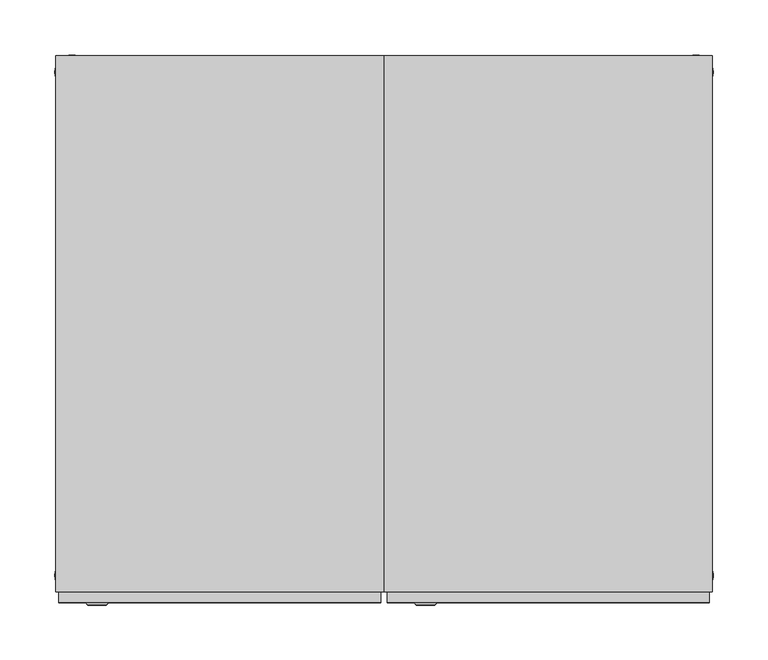
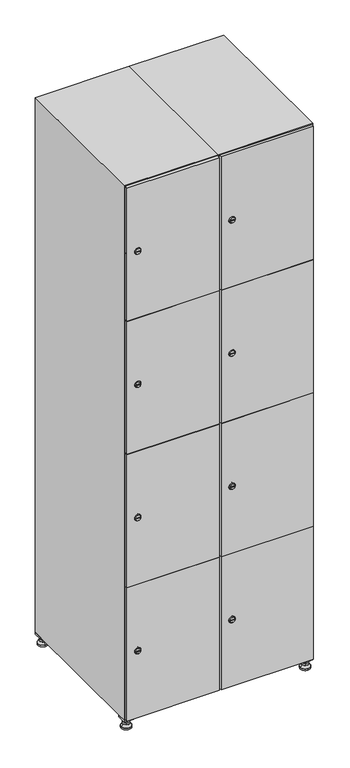
"""IFC4 building model written with IfcOpenShell, lengths in millimetres: furniture geometry."""

from ifc_helpers import new_model, si_unit, point, frame, frame_2d, origin, origin_with_axes, place, context, project, spatial, polyline, circle_curve, trimmed, segment, composite_curve, outline, extrude, faceted_brep, source, transform, mapped, element, save
from ifc_brep_helpers import plane_surface, revolved_surface, advanced_brep


def furniture_9e0ef460(model_context):
    return source(origin(), model_context, "Body", "SolidModel", [
        extrude(outline(polyline([(400.0, 245.0), (400.0, 215.0), (370.0, 215.0), (370.0, 245.0), (400.0, 245.0)]), holes=[polyline([(398.0, 243.0), (372.0, 243.0), (372.0, 217.0), (398.0, 217.0), (398.0, 243.0)])]), frame((0.0, 0.0, 28.5), z_axis=(0.0, 0.0, 1.0), x_axis=(1.0, 0.0, 0.0)), (0.0, 0.0, 1.0), 6.5),
        extrude(outline(polyline([(370.0, -245.0), (370.0, -215.0), (400.0, -215.0), (400.0, -245.0), (370.0, -245.0)]), holes=[polyline([(372.0, -243.0), (398.0, -243.0), (398.0, -217.0), (372.0, -217.0), (372.0, -243.0)])]), frame((0.0, 0.0, 28.5), z_axis=(0.0, 0.0, 1.0), x_axis=(1.0, 0.0, 0.0)), (0.0, 0.0, 1.0), 6.5),
        extrude(outline(polyline([(-170.0, 245.0), (-170.0, 215.0), (-200.0, 215.0), (-200.0, 245.0), (-170.0, 245.0)]), holes=[polyline([(-172.0, 243.0), (-198.0, 243.0), (-198.0, 217.0), (-172.0, 217.0), (-172.0, 243.0)])]), frame((0.0, 0.0, 28.5), z_axis=(0.0, 0.0, 1.0), x_axis=(1.0, 0.0, 0.0)), (0.0, 0.0, 1.0), 6.5),
        extrude(outline(polyline([(-170.0, -215.0), (-170.0, -245.0), (-200.0, -245.0), (-200.0, -215.0), (-170.0, -215.0)]), holes=[polyline([(-198.0, -243.0), (-172.0, -243.0), (-172.0, -217.0), (-198.0, -217.0), (-198.0, -243.0)])]), frame((0.0, 0.0, 28.5), z_axis=(0.0, 0.0, 1.0), x_axis=(1.0, 0.0, 0.0)), (0.0, 0.0, 1.0), 6.5),
        extrude(outline(composite_curve([segment(trimmed(circle_curve(frame_2d((-185.0, 230.0)), 5.0), [point((-180.0, 230.0))], [point((-190.0, 230.0))], False, "CARTESIAN"), True, "CONTINUOUS"), segment(trimmed(circle_curve(frame_2d((-185.0, 230.0)), 5.0), [point((-190.0, 230.0))], [point((-180.0, 230.0))], False, "CARTESIAN"), True, "CONTINUOUS")], self_intersect=False)), frame((0.0, 0.0, 19.6), z_axis=(0.0, 0.0, 1.0), x_axis=(1.0, 0.0, 0.0)), (0.0, 0.0, 1.0), 15.4),
        extrude(outline(composite_curve([segment(trimmed(circle_curve(frame_2d((-185.0, -230.0)), 5.0), [point((-180.0, -230.0))], [point((-190.0, -230.0))], False, "CARTESIAN"), True, "CONTINUOUS"), segment(trimmed(circle_curve(frame_2d((-185.0, -230.0)), 5.0), [point((-190.0, -230.0))], [point((-180.0, -230.0))], False, "CARTESIAN"), True, "CONTINUOUS")], self_intersect=False)), frame((0.0, 0.0, 19.6), z_axis=(0.0, 0.0, 1.0), x_axis=(1.0, 0.0, 0.0)), (0.0, 0.0, 1.0), 15.4),
        extrude(outline(composite_curve([segment(trimmed(circle_curve(frame_2d((385.0, 230.0)), 5.0), [point((390.0, 230.0))], [point((380.0, 230.0))], False, "CARTESIAN"), True, "CONTINUOUS"), segment(trimmed(circle_curve(frame_2d((385.0, 230.0)), 5.0), [point((380.0, 230.0))], [point((390.0, 230.0))], False, "CARTESIAN"), True, "CONTINUOUS")], self_intersect=False)), frame((0.0, 0.0, 19.6), z_axis=(0.0, 0.0, 1.0), x_axis=(1.0, 0.0, 0.0)), (0.0, 0.0, 1.0), 15.4),
        extrude(outline(polyline([(373.4529946, 230.0), (379.2264973, 240.0), (390.7735027, 240.0), (396.5470054, 230.0), (390.7735027, 220.0), (379.2264973, 220.0), (373.4529946, 230.0)])), frame((0.0, 0.0, 13.6), z_axis=(0.0, 0.0, 1.0), x_axis=(1.0, 0.0, 0.0)), (0.0, 0.0, 1.0), 6.0),
        extrude(outline(composite_curve([segment(trimmed(circle_curve(frame_2d((385.0, -230.0)), 5.0), [point((390.0, -230.0))], [point((380.0, -230.0))], False, "CARTESIAN"), True, "CONTINUOUS"), segment(trimmed(circle_curve(frame_2d((385.0, -230.0)), 5.0), [point((380.0, -230.0))], [point((390.0, -230.0))], False, "CARTESIAN"), True, "CONTINUOUS")], self_intersect=False)), frame((0.0, 0.0, 19.6), z_axis=(0.0, 0.0, 1.0), x_axis=(1.0, 0.0, 0.0)), (0.0, 0.0, 1.0), 15.4),
        extrude(outline(polyline([(373.4529946, -230.0), (379.2264973, -220.0), (390.7735027, -220.0), (396.5470054, -230.0), (390.7735027, -240.0), (379.2264973, -240.0), (373.4529946, -230.0)])), frame((0.0, 0.0, 13.6), z_axis=(0.0, 0.0, 1.0), x_axis=(1.0, 0.0, 0.0)), (0.0, 0.0, 1.0), 6.0),
        extrude(outline(composite_curve([segment(trimmed(circle_curve(frame_2d((385.0, 230.0)), 5.0), [point((390.0, 230.0))], [point((380.0, 230.0))], False, "CARTESIAN"), True, "CONTINUOUS"), segment(trimmed(circle_curve(frame_2d((385.0, 230.0)), 5.0), [point((380.0, 230.0))], [point((390.0, 230.0))], False, "CARTESIAN"), True, "CONTINUOUS")], self_intersect=False)), frame((0.0, 0.0, 12.1), z_axis=(0.0, 0.0, 1.0), x_axis=(1.0, 0.0, 0.0)), (0.0, 0.0, 1.0), 1.5),
        extrude(outline(composite_curve([segment(trimmed(circle_curve(frame_2d((385.0, -230.0)), 5.0), [point((390.0, -230.0))], [point((380.0, -230.0))], False, "CARTESIAN"), True, "CONTINUOUS"), segment(trimmed(circle_curve(frame_2d((385.0, -230.0)), 5.0), [point((380.0, -230.0))], [point((390.0, -230.0))], False, "CARTESIAN"), True, "CONTINUOUS")], self_intersect=False)), frame((0.0, 0.0, 12.1), z_axis=(0.0, 0.0, 1.0), x_axis=(1.0, 0.0, 0.0)), (0.0, 0.0, 1.0), 1.5),
        extrude(outline(polyline([(-196.5470054, 230.0), (-190.7735027, 240.0), (-179.2264973, 240.0), (-173.4529946, 230.0), (-179.2264973, 220.0), (-190.7735027, 220.0), (-196.5470054, 230.0)])), frame((0.0, 0.0, 13.6), z_axis=(0.0, 0.0, 1.0), x_axis=(1.0, 0.0, 0.0)), (0.0, 0.0, 1.0), 6.0),
        extrude(outline(polyline([(-196.5470054, -230.0), (-190.7735027, -220.0), (-179.2264973, -220.0), (-173.4529946, -230.0), (-179.2264973, -240.0), (-190.7735027, -240.0), (-196.5470054, -230.0)])), frame((0.0, 0.0, 13.6), z_axis=(0.0, 0.0, 1.0), x_axis=(1.0, 0.0, 0.0)), (0.0, 0.0, 1.0), 6.0),
        extrude(outline(composite_curve([segment(trimmed(circle_curve(frame_2d((-185.0, 230.0)), 5.0), [point((-185.0, 235.0))], [point((-185.0, 225.0))], False, "CARTESIAN"), True, "CONTINUOUS"), segment(trimmed(circle_curve(frame_2d((-185.0, 230.0)), 5.0), [point((-185.0, 225.0))], [point((-185.0, 235.0))], False, "CARTESIAN"), True, "CONTINUOUS")], self_intersect=False)), frame((0.0, 0.0, 12.1), z_axis=(0.0, 0.0, 1.0), x_axis=(1.0, 0.0, 0.0)), (0.0, 0.0, 1.0), 1.5),
        extrude(outline(composite_curve([segment(trimmed(circle_curve(frame_2d((-185.0, -230.0)), 5.0), [point((-180.0, -230.0))], [point((-190.0, -230.0))], False, "CARTESIAN"), True, "CONTINUOUS"), segment(trimmed(circle_curve(frame_2d((-185.0, -230.0)), 5.0), [point((-190.0, -230.0))], [point((-180.0, -230.0))], False, "CARTESIAN"), True, "CONTINUOUS")], self_intersect=False)), frame((0.0, 0.0, 12.1), z_axis=(0.0, 0.0, 1.0), x_axis=(1.0, 0.0, 0.0)), (0.0, 0.0, 1.0), 1.5),
        extrude(outline(composite_curve([segment(trimmed(circle_curve(frame_2d((385.0, 230.0)), 15.75), [point((400.75, 230.0))], [point((369.25, 230.0))], False, "CARTESIAN"), True, "CONTINUOUS"), segment(trimmed(circle_curve(frame_2d((385.0, 230.0)), 15.75), [point((369.25, 230.0))], [point((400.75, 230.0))], False, "CARTESIAN"), True, "CONTINUOUS")], self_intersect=False)), origin_with_axes(), (0.0, 0.0, 1.0), 5.1),
        extrude(outline(composite_curve([segment(trimmed(circle_curve(frame_2d((385.0, -230.0)), 15.75), [point((385.0, -214.25))], [point((385.0, -245.75))], False, "CARTESIAN"), True, "CONTINUOUS"), segment(trimmed(circle_curve(frame_2d((385.0, -230.0)), 15.75), [point((385.0, -245.75))], [point((385.0, -214.25))], False, "CARTESIAN"), True, "CONTINUOUS")], self_intersect=False)), origin_with_axes(), (0.0, 0.0, 1.0), 5.1),
        extrude(outline(composite_curve([segment(trimmed(circle_curve(frame_2d((-185.0, -230.0)), 15.75), [point((-169.25, -230.0))], [point((-200.75, -230.0))], False, "CARTESIAN"), True, "CONTINUOUS"), segment(trimmed(circle_curve(frame_2d((-185.0, -230.0)), 15.75), [point((-200.75, -230.0))], [point((-169.25, -230.0))], False, "CARTESIAN"), True, "CONTINUOUS")], self_intersect=False)), origin_with_axes(), (0.0, 0.0, 1.0), 5.1),
        extrude(outline(composite_curve([segment(trimmed(circle_curve(frame_2d((-185.0, 230.0)), 15.75), [point((-169.25, 230.0))], [point((-200.75, 230.0))], False, "CARTESIAN"), True, "CONTINUOUS"), segment(trimmed(circle_curve(frame_2d((-185.0, 230.0)), 15.75), [point((-200.75, 230.0))], [point((-169.25, 230.0))], False, "CARTESIAN"), True, "CONTINUOUS")], self_intersect=False)), origin_with_axes(), (0.0, 0.0, 1.0), 5.1),
        advanced_brep(
        [(-185.0, 239.5, 12.1), (-185.0, 220.5, 12.1), (-185.0, 214.25, 5.1), (-185.0, 245.75, 5.1)],
        [
            (0, 1, circle_curve(frame((-185.0, 230.0, 12.1), z_axis=(0.0, 0.0, -1.0), x_axis=(0.0, 1.0, 0.0)), 9.5)),
            (1, 2),
            (2, 3, circle_curve(frame((-185.0, 230.0, 5.1), z_axis=(0.0, 0.0, 1.0), x_axis=(0.0, 1.0, 0.0)), 15.75)),
            (3, 0),
            (1, 0, circle_curve(frame((-185.0, 230.0, 12.1), z_axis=(0.0, 0.0, -1.0), x_axis=(0.0, -1.0, 0.0)), 9.5)),
            (3, 2, circle_curve(frame((-185.0, 230.0, 5.1), z_axis=(0.0, 0.0, 1.0), x_axis=(0.0, -1.0, 0.0)), 15.75)),
        ],
        [
            revolved_surface(polyline([(-185.0, 220.5, 12.099999999999998), (-185.0, 214.25, 5.099999999999998)]), (-185.0, 230.0, 22.74), (0.0, 0.0, -1.0)),
            revolved_surface(polyline([(-185.0, 239.5, 12.099999999999998), (-185.0, 245.75, 5.099999999999998)]), (-185.0, 230.0, 22.74), (0.0, 0.0, -1.0)),
            plane_surface(frame((-185.0, 230.0, 5.1), z_axis=(0.0, 0.0, -1.0), x_axis=(1.0, 0.0, 0.0))),
            plane_surface(frame((-185.0, 230.0, 12.1), z_axis=(0.0, 0.0, 1.0), x_axis=(1.0, 0.0, 0.0))),
        ],
        [
            (0, [[1, 2, 3, 4]]),
            (1, [[5, -4, 6, -2]]),
            (2, [[-3, -6]]),
            (3, [[-5, -1]]),
        ],
    ),
        advanced_brep(
        [(385.0, 239.5, 12.1), (385.0, 220.5, 12.1), (385.0, 214.25, 5.1), (385.0, 245.75, 5.1)],
        [
            (0, 1, circle_curve(frame((385.0, 230.0, 12.1), z_axis=(0.0, 0.0, -1.0), x_axis=(0.0, 1.0, 0.0)), 9.5)),
            (1, 2),
            (2, 3, circle_curve(frame((385.0, 230.0, 5.1), z_axis=(0.0, 0.0, 1.0), x_axis=(0.0, 1.0, 0.0)), 15.75)),
            (3, 0),
            (1, 0, circle_curve(frame((385.0, 230.0, 12.1), z_axis=(0.0, 0.0, -1.0), x_axis=(0.0, -1.0, 0.0)), 9.5)),
            (3, 2, circle_curve(frame((385.0, 230.0, 5.1), z_axis=(0.0, 0.0, 1.0), x_axis=(0.0, -1.0, 0.0)), 15.75)),
        ],
        [
            revolved_surface(polyline([(385.0, 220.5, 12.099999999999998), (385.0, 214.25, 5.099999999999998)]), (385.0, 230.0, 22.74), (0.0, 0.0, -1.0)),
            revolved_surface(polyline([(385.0, 239.5, 12.099999999999998), (385.0, 245.75, 5.099999999999998)]), (385.0, 230.0, 22.74), (0.0, 0.0, -1.0)),
            plane_surface(frame((385.0, 230.0, 5.1), z_axis=(0.0, 0.0, -1.0), x_axis=(1.0, 0.0, 0.0))),
            plane_surface(frame((385.0, 230.0, 12.1), z_axis=(0.0, 0.0, 1.0), x_axis=(1.0, 0.0, 0.0))),
        ],
        [
            (0, [[1, 2, 3, 4]]),
            (1, [[5, -4, 6, -2]]),
            (2, [[-3, -6]]),
            (3, [[-5, -1]]),
        ],
    ),
        advanced_brep(
        [(400.75, -230.0, 5.1), (369.25, -230.0, 5.1), (375.5, -230.0, 12.1), (394.5, -230.0, 12.1)],
        [
            (0, 1, circle_curve(frame((385.0, -230.0, 5.1), z_axis=(0.0, 0.0, 1.0), x_axis=(1.0, 0.0, 0.0)), 15.75)),
            (1, 2),
            (2, 3, circle_curve(frame((385.0, -230.0, 12.1), z_axis=(0.0, 0.0, -1.0), x_axis=(1.0, 0.0, 0.0)), 9.5)),
            (3, 0),
            (1, 0, circle_curve(frame((385.0, -230.0, 5.1), z_axis=(0.0, 0.0, 1.0), x_axis=(-1.0, 0.0, 0.0)), 15.75)),
            (3, 2, circle_curve(frame((385.0, -230.0, 12.1), z_axis=(0.0, 0.0, -1.0), x_axis=(-1.0, 0.0, 0.0)), 9.5)),
        ],
        [
            revolved_surface(polyline([(394.5, -230.0, 12.099999999999998), (400.75, -230.0, 5.099999999999998)]), (385.0, -230.0, 22.74), (0.0, 0.0, -1.0)),
            revolved_surface(polyline([(375.5, -230.0, 12.099999999999998), (369.25, -230.0, 5.099999999999998)]), (385.0, -230.0, 22.74), (0.0, 0.0, -1.0)),
            plane_surface(frame((385.0, -230.0, 12.1), z_axis=(0.0, 0.0, 1.0), x_axis=(0.0, 1.0, 0.0))),
            plane_surface(frame((385.0, -230.0, 5.1), z_axis=(0.0, 0.0, -1.0), x_axis=(0.0, 1.0, 0.0))),
        ],
        [
            (0, [[1, 2, 3, 4]]),
            (1, [[5, -4, 6, -2]]),
            (2, [[-3, -6]]),
            (3, [[-5, -1]]),
        ],
    ),
        advanced_brep(
        [(-169.25, -230.0, 5.1), (-200.75, -230.0, 5.1), (-194.5, -230.0, 12.1), (-175.5, -230.0, 12.1)],
        [
            (0, 1, circle_curve(frame((-185.0, -230.0, 5.1), z_axis=(0.0, 0.0, 1.0), x_axis=(1.0, 0.0, 0.0)), 15.75)),
            (1, 2),
            (2, 3, circle_curve(frame((-185.0, -230.0, 12.1), z_axis=(0.0, 0.0, -1.0), x_axis=(1.0, 0.0, 0.0)), 9.5)),
            (3, 0),
            (1, 0, circle_curve(frame((-185.0, -230.0, 5.1), z_axis=(0.0, 0.0, 1.0), x_axis=(-1.0, 0.0, 0.0)), 15.75)),
            (3, 2, circle_curve(frame((-185.0, -230.0, 12.1), z_axis=(0.0, 0.0, -1.0), x_axis=(-1.0, 0.0, 0.0)), 9.5)),
        ],
        [
            revolved_surface(polyline([(-175.5, -230.0, 12.099999999999998), (-169.25, -230.0, 5.099999999999998)]), (-185.0, -230.0, 22.74), (0.0, 0.0, -1.0)),
            revolved_surface(polyline([(-194.5, -230.0, 12.099999999999998), (-200.75, -230.0, 5.099999999999998)]), (-185.0, -230.0, 22.74), (0.0, 0.0, -1.0)),
            plane_surface(frame((-185.0, -230.0, 12.1), z_axis=(0.0, 0.0, 1.0), x_axis=(0.0, 1.0, 0.0))),
            plane_surface(frame((-185.0, -230.0, 5.1), z_axis=(0.0, 0.0, -1.0), x_axis=(0.0, 1.0, 0.0))),
        ],
        [
            (0, [[1, 2, 3, 4]]),
            (1, [[5, -4, 6, -2]]),
            (2, [[-3, -6]]),
            (3, [[-5, -1]]),
        ],
    ),
        extrude(outline(composite_curve([segment(trimmed(circle_curve(frame_2d((262.25, 111.2010534)), 7.0), [point((269.25, 111.2010534))], [point((255.25, 111.2010534))], False, "CARTESIAN"), True, "CONTINUOUS"), segment(polyline([(255.25, 111.2010534), (255.25, 139.2010534)]), True, "CONTINUOUS"), segment(trimmed(circle_curve(frame_2d((262.25, 139.2010534)), 7.0), [point((255.25, 139.2010534))], [point((269.25, 139.2010534))], False, "CARTESIAN"), True, "CONTINUOUS"), segment(polyline([(269.25, 139.2010534), (269.25, 111.2010534)]), True, "CONTINUOUS")], self_intersect=False)), frame((0.0, -245.0, 0.0), z_axis=(0.0, 1.0, 0.0), x_axis=(0.0, 0.0, 1.0)), (0.0, 0.0, 1.0), 2.0),
        advanced_brep(
        [(146.5, -257.2, 262.25), (129.5, -257.2, 262.25), (133.0, -257.2, 261.0), (133.0, -257.2, 263.5), (143.0, -257.2, 263.5), (143.0, -257.2, 261.0), (148.5, -255.0, 262.25), (127.5, -255.0, 262.25), (133.0, -255.0, 263.5), (133.0, -255.0, 261.0), (143.0, -255.0, 261.0), (143.0, -255.0, 263.5)],
        [
            (0, 1, circle_curve(frame((138.0, -257.2, 262.25), z_axis=(0.0, -1.0, 0.0), x_axis=(1.0, 0.0, 0.0)), 8.5)),
            (1, 0, circle_curve(frame((138.0, -257.2, 262.25), z_axis=(0.0, -1.0, 0.0), x_axis=(-1.0, 0.0, 0.0)), 8.5)),
            (2, 3),
            (3, 4),
            (4, 5),
            (5, 2),
            (6, 7, circle_curve(frame((138.0, -255.0, 262.25), z_axis=(0.0, 1.0, 0.0), x_axis=(-1.0, 0.0, 0.0)), 10.5)),
            (7, 6, circle_curve(frame((138.0, -255.0, 262.25), z_axis=(0.0, 1.0, 0.0), x_axis=(1.0, 0.0, 0.0)), 10.5)),
            (8, 9),
            (9, 10),
            (10, 11),
            (11, 8),
            (0, 6),
            (7, 1),
            (8, 3),
            (2, 9),
            (11, 4),
            (10, 5),
        ],
        [
            plane_surface(frame((138.0, -257.2, 262.25), z_axis=(0.0, -1.0, 0.0), x_axis=(0.0, 0.0, 1.0))),
            plane_surface(frame((138.0, -255.0, 262.25), z_axis=(0.0, 1.0, 0.0), x_axis=(0.0, 0.0, 1.0))),
            revolved_surface(polyline([(146.5, -257.2, 262.25), (148.5, -255.0, 262.25)]), (138.0, -266.55, 262.25), (0.0, 1.0, 0.0)),
            revolved_surface(polyline([(129.5, -257.2, 262.25), (127.5, -255.0, 262.25)]), (138.0, -266.55, 262.25), (0.0, 1.0, 0.0)),
            plane_surface(frame((133.0, -255.0, 261.0), z_axis=(1.0, 0.0, 0.0), x_axis=(0.0, -1.0, 0.0))),
            plane_surface(frame((133.0, -255.0, 263.5), z_axis=(0.0, 0.0, -1.0), x_axis=(0.0, -1.0, 0.0))),
            plane_surface(frame((143.0, -255.0, 263.5), z_axis=(-1.0, 0.0, 0.0), x_axis=(0.0, -1.0, 0.0))),
            plane_surface(frame((143.0, -255.0, 261.0), z_axis=(0.0, 0.0, 1.0), x_axis=(0.0, -1.0, 0.0))),
        ],
        [
            (0, [[1, 2], [3, 4, 5, 6]]),
            (1, [[7, 8], [9, 10, 11, 12]]),
            (2, [[-1, 13, -8, 14]]),
            (3, [[-2, -14, -7, -13]]),
            (4, [[15, -3, 16, -9]]),
            (5, [[-15, -12, 17, -4]]),
            (6, [[-17, -11, 18, -5]]),
            (7, [[-16, -6, -18, -10]]),
        ],
    ),
        extrude(outline(composite_curve([segment(trimmed(circle_curve(frame_2d((710.75, 111.2010534)), 7.0), [point((717.75, 111.2010534))], [point((703.75, 111.2010534))], False, "CARTESIAN"), True, "CONTINUOUS"), segment(polyline([(703.75, 111.2010534), (703.75, 139.2010534)]), True, "CONTINUOUS"), segment(trimmed(circle_curve(frame_2d((710.75, 139.2010534)), 7.0), [point((703.75, 139.2010534))], [point((717.75, 139.2010534))], False, "CARTESIAN"), True, "CONTINUOUS"), segment(polyline([(717.75, 139.2010534), (717.75, 111.2010534)]), True, "CONTINUOUS")], self_intersect=False)), frame((0.0, -245.0, 0.0), z_axis=(0.0, 1.0, 0.0), x_axis=(0.0, 0.0, 1.0)), (0.0, 0.0, 1.0), 2.0),
        advanced_brep(
        [(146.5, -257.2, 710.75), (129.5, -257.2, 710.75), (133.0, -257.2, 709.5), (133.0, -257.2, 712.0), (143.0, -257.2, 712.0), (143.0, -257.2, 709.5), (148.5, -255.0, 710.75), (127.5, -255.0, 710.75), (133.0, -255.0, 712.0), (133.0, -255.0, 709.5), (143.0, -255.0, 709.5), (143.0, -255.0, 712.0)],
        [
            (0, 1, circle_curve(frame((138.0, -257.2, 710.75), z_axis=(0.0, -1.0, 0.0), x_axis=(1.0, 0.0, 0.0)), 8.5)),
            (1, 0, circle_curve(frame((138.0, -257.2, 710.75), z_axis=(0.0, -1.0, 0.0), x_axis=(-1.0, 0.0, 0.0)), 8.5)),
            (2, 3),
            (3, 4),
            (4, 5),
            (5, 2),
            (6, 7, circle_curve(frame((138.0, -255.0, 710.75), z_axis=(0.0, 1.0, 0.0), x_axis=(-1.0, 0.0, 0.0)), 10.5)),
            (7, 6, circle_curve(frame((138.0, -255.0, 710.75), z_axis=(0.0, 1.0, 0.0), x_axis=(1.0, 0.0, 0.0)), 10.5)),
            (8, 9),
            (9, 10),
            (10, 11),
            (11, 8),
            (0, 6),
            (7, 1),
            (8, 3),
            (2, 9),
            (11, 4),
            (10, 5),
        ],
        [
            plane_surface(frame((138.0, -257.2, 710.75), z_axis=(0.0, -1.0, 0.0), x_axis=(0.0, 0.0, 1.0))),
            plane_surface(frame((138.0, -255.0, 710.75), z_axis=(0.0, 1.0, 0.0), x_axis=(0.0, 0.0, 1.0))),
            revolved_surface(polyline([(146.5, -257.2, 710.75), (148.5, -255.0, 710.75)]), (138.0, -266.55, 710.75), (0.0, 1.0, 0.0)),
            revolved_surface(polyline([(129.5, -257.2, 710.75), (127.5, -255.0, 710.75)]), (138.0, -266.55, 710.75), (0.0, 1.0, 0.0)),
            plane_surface(frame((133.0, -255.0, 709.5), z_axis=(1.0, 0.0, 0.0), x_axis=(0.0, -1.0, 0.0))),
            plane_surface(frame((133.0, -255.0, 712.0), z_axis=(0.0, 0.0, -1.0), x_axis=(0.0, -1.0, 0.0))),
            plane_surface(frame((143.0, -255.0, 712.0), z_axis=(-1.0, 0.0, 0.0), x_axis=(0.0, -1.0, 0.0))),
            plane_surface(frame((143.0, -255.0, 709.5), z_axis=(0.0, 0.0, 1.0), x_axis=(0.0, -1.0, 0.0))),
        ],
        [
            (0, [[1, 2], [3, 4, 5, 6]]),
            (1, [[7, 8], [9, 10, 11, 12]]),
            (2, [[-1, 13, -8, 14]]),
            (3, [[-2, -14, -7, -13]]),
            (4, [[15, -3, 16, -9]]),
            (5, [[-15, -12, 17, -4]]),
            (6, [[-17, -11, 18, -5]]),
            (7, [[-16, -6, -18, -10]]),
        ],
    ),
        extrude(outline(composite_curve([segment(trimmed(circle_curve(frame_2d((1159.25, 111.2010534)), 7.0), [point((1166.25, 111.2010534))], [point((1152.25, 111.2010534))], False, "CARTESIAN"), True, "CONTINUOUS"), segment(polyline([(1152.25, 111.2010534), (1152.25, 139.2010534)]), True, "CONTINUOUS"), segment(trimmed(circle_curve(frame_2d((1159.25, 139.2010534)), 7.0), [point((1152.25, 139.2010534))], [point((1166.25, 139.2010534))], False, "CARTESIAN"), True, "CONTINUOUS"), segment(polyline([(1166.25, 139.2010534), (1166.25, 111.2010534)]), True, "CONTINUOUS")], self_intersect=False)), frame((0.0, -245.0, 0.0), z_axis=(0.0, 1.0, 0.0), x_axis=(0.0, 0.0, 1.0)), (0.0, 0.0, 1.0), 2.0),
        advanced_brep(
        [(146.5, -257.2, 1159.25), (129.5, -257.2, 1159.25), (133.0, -257.2, 1158.0), (133.0, -257.2, 1160.5), (143.0, -257.2, 1160.5), (143.0, -257.2, 1158.0), (148.5, -255.0, 1159.25), (127.5, -255.0, 1159.25), (133.0, -255.0, 1160.5), (133.0, -255.0, 1158.0), (143.0, -255.0, 1158.0), (143.0, -255.0, 1160.5)],
        [
            (0, 1, circle_curve(frame((138.0, -257.2, 1159.25), z_axis=(0.0, -1.0, 0.0), x_axis=(1.0, 0.0, 0.0)), 8.5)),
            (1, 0, circle_curve(frame((138.0, -257.2, 1159.25), z_axis=(0.0, -1.0, 0.0), x_axis=(-1.0, 0.0, 0.0)), 8.5)),
            (2, 3),
            (3, 4),
            (4, 5),
            (5, 2),
            (6, 7, circle_curve(frame((138.0, -255.0, 1159.25), z_axis=(0.0, 1.0, 0.0), x_axis=(-1.0, 0.0, 0.0)), 10.5)),
            (7, 6, circle_curve(frame((138.0, -255.0, 1159.25), z_axis=(0.0, 1.0, 0.0), x_axis=(1.0, 0.0, 0.0)), 10.5)),
            (8, 9),
            (9, 10),
            (10, 11),
            (11, 8),
            (0, 6),
            (7, 1),
            (8, 3),
            (2, 9),
            (11, 4),
            (10, 5),
        ],
        [
            plane_surface(frame((138.0, -257.2, 1159.25), z_axis=(0.0, -1.0, 0.0), x_axis=(0.0, 0.0, 1.0))),
            plane_surface(frame((138.0, -255.0, 1159.25), z_axis=(0.0, 1.0, 0.0), x_axis=(0.0, 0.0, 1.0))),
            revolved_surface(polyline([(146.5, -257.2, 1159.25), (148.5, -255.0, 1159.25)]), (138.0, -266.55, 1159.25), (0.0, 1.0, 0.0)),
            revolved_surface(polyline([(129.5, -257.2, 1159.25), (127.5, -255.0, 1159.25)]), (138.0, -266.55, 1159.25), (0.0, 1.0, 0.0)),
            plane_surface(frame((133.0, -255.0, 1158.0), z_axis=(1.0, 0.0, 0.0), x_axis=(0.0, -1.0, 0.0))),
            plane_surface(frame((133.0, -255.0, 1160.5), z_axis=(0.0, 0.0, -1.0), x_axis=(0.0, -1.0, 0.0))),
            plane_surface(frame((143.0, -255.0, 1160.5), z_axis=(-1.0, 0.0, 0.0), x_axis=(0.0, -1.0, 0.0))),
            plane_surface(frame((143.0, -255.0, 1158.0), z_axis=(0.0, 0.0, 1.0), x_axis=(0.0, -1.0, 0.0))),
        ],
        [
            (0, [[1, 2], [3, 4, 5, 6]]),
            (1, [[7, 8], [9, 10, 11, 12]]),
            (2, [[-1, 13, -8, 14]]),
            (3, [[-2, -14, -7, -13]]),
            (4, [[15, -3, 16, -9]]),
            (5, [[-15, -12, 17, -4]]),
            (6, [[-17, -11, 18, -5]]),
            (7, [[-16, -6, -18, -10]]),
        ],
    ),
        extrude(outline(composite_curve([segment(trimmed(circle_curve(frame_2d((1607.75, 111.2010534)), 7.0), [point((1614.75, 111.2010534))], [point((1600.75, 111.2010534))], False, "CARTESIAN"), True, "CONTINUOUS"), segment(polyline([(1600.75, 111.2010534), (1600.75, 139.2010534)]), True, "CONTINUOUS"), segment(trimmed(circle_curve(frame_2d((1607.75, 139.2010534)), 7.0), [point((1600.75, 139.2010534))], [point((1614.75, 139.2010534))], False, "CARTESIAN"), True, "CONTINUOUS"), segment(polyline([(1614.75, 139.2010534), (1614.75, 111.2010534)]), True, "CONTINUOUS")], self_intersect=False)), frame((0.0, -245.0, 0.0), z_axis=(0.0, 1.0, 0.0), x_axis=(0.0, 0.0, 1.0)), (0.0, 0.0, 1.0), 2.0),
        advanced_brep(
        [(146.5, -257.2, 1607.75), (129.5, -257.2, 1607.75), (133.0, -257.2, 1606.5), (133.0, -257.2, 1609.0), (143.0, -257.2, 1609.0), (143.0, -257.2, 1606.5), (148.5, -255.0, 1607.75), (127.5, -255.0, 1607.75), (133.0, -255.0, 1609.0), (133.0, -255.0, 1606.5), (143.0, -255.0, 1606.5), (143.0, -255.0, 1609.0)],
        [
            (0, 1, circle_curve(frame((138.0, -257.2, 1607.75), z_axis=(0.0, -1.0, 0.0), x_axis=(1.0, 0.0, 0.0)), 8.5)),
            (1, 0, circle_curve(frame((138.0, -257.2, 1607.75), z_axis=(0.0, -1.0, 0.0), x_axis=(-1.0, 0.0, 0.0)), 8.5)),
            (2, 3),
            (3, 4),
            (4, 5),
            (5, 2),
            (6, 7, circle_curve(frame((138.0, -255.0, 1607.75), z_axis=(0.0, 1.0, 0.0), x_axis=(-1.0, 0.0, 0.0)), 10.5)),
            (7, 6, circle_curve(frame((138.0, -255.0, 1607.75), z_axis=(0.0, 1.0, 0.0), x_axis=(1.0, 0.0, 0.0)), 10.5)),
            (8, 9),
            (9, 10),
            (10, 11),
            (11, 8),
            (0, 6),
            (7, 1),
            (8, 3),
            (2, 9),
            (11, 4),
            (10, 5),
        ],
        [
            plane_surface(frame((138.0, -257.2, 1607.75), z_axis=(0.0, -1.0, 0.0), x_axis=(0.0, 0.0, 1.0))),
            plane_surface(frame((138.0, -255.0, 1607.75), z_axis=(0.0, 1.0, 0.0), x_axis=(0.0, 0.0, 1.0))),
            revolved_surface(polyline([(146.5, -257.2, 1607.75), (148.5, -255.0, 1607.75)]), (138.0, -266.55, 1607.75), (0.0, 1.0, 0.0)),
            revolved_surface(polyline([(129.5, -257.2, 1607.75), (127.5, -255.0, 1607.75)]), (138.0, -266.55, 1607.75), (0.0, 1.0, 0.0)),
            plane_surface(frame((133.0, -255.0, 1606.5), z_axis=(1.0, 0.0, 0.0), x_axis=(0.0, -1.0, 0.0))),
            plane_surface(frame((133.0, -255.0, 1609.0), z_axis=(0.0, 0.0, -1.0), x_axis=(0.0, -1.0, 0.0))),
            plane_surface(frame((143.0, -255.0, 1609.0), z_axis=(-1.0, 0.0, 0.0), x_axis=(0.0, -1.0, 0.0))),
            plane_surface(frame((143.0, -255.0, 1606.5), z_axis=(0.0, 0.0, 1.0), x_axis=(0.0, -1.0, 0.0))),
        ],
        [
            (0, [[1, 2], [3, 4, 5, 6]]),
            (1, [[7, 8], [9, 10, 11, 12]]),
            (2, [[-1, 13, -8, 14]]),
            (3, [[-2, -14, -7, -13]]),
            (4, [[15, -3, 16, -9]]),
            (5, [[-15, -12, 17, -4]]),
            (6, [[-17, -11, 18, -5]]),
            (7, [[-16, -6, -18, -10]]),
        ],
    ),
        extrude(outline(polyline([(397.0, -245.0), (397.0, -255.0), (103.0, -255.0), (103.0, -245.0), (397.0, -245.0)])), frame((0.0, 0.0, 486.0), z_axis=(0.0, 0.0, 1.0), x_axis=(1.0, 0.0, 0.0)), (0.0, 0.0, 1.0), 448.5),
        extrude(outline(polyline([(397.0, -245.0), (397.0, -255.0), (103.0, -255.0), (103.0, -245.0), (397.0, -245.0)])), frame((0.0, 0.0, 935.5), z_axis=(0.0, 0.0, 1.0), x_axis=(1.0, 0.0, 0.0)), (0.0, 0.0, 1.0), 447.5),
        extrude(outline(polyline([(103.0, -255.0), (103.0, -245.0), (397.0, -245.0), (397.0, -255.0), (103.0, -255.0)])), frame((0.0, 0.0, 1384.0), z_axis=(0.0, 0.0, 1.0), x_axis=(1.0, 0.0, 0.0)), (0.0, 0.0, 1.0), 448.0),
        extrude(outline(polyline([(397.0, -245.0), (397.0, -255.0), (103.0, -255.0), (103.0, -245.0), (397.0, -245.0)])), frame((0.0, 0.0, 38.0), z_axis=(0.0, 0.0, 1.0), x_axis=(1.0, 0.0, 0.0)), (0.0, 0.0, 1.0), 449.0),
        extrude(outline(polyline([(379.6, 242.0), (379.6, -235.0), (120.4, -235.0), (120.4, 242.0), (379.6, 242.0)])), frame((0.0, 0.0, 1359.7), z_axis=(0.0, 0.0, 1.0), x_axis=(1.0, 0.0, 0.0)), (0.0, 0.0, 1.0), 20.4),
        extrude(outline(polyline([(379.6, 242.0), (379.6, -235.0), (120.4, -235.0), (120.4, 242.0), (379.6, 242.0)])), frame((0.0, 0.0, 924.8), z_axis=(0.0, 0.0, 1.0), x_axis=(1.0, 0.0, 0.0)), (0.0, 0.0, 1.0), 20.4),
        extrude(outline(polyline([(379.6, 242.0), (379.6, -235.0), (120.4, -235.0), (120.4, 242.0), (379.6, 242.0)])), frame((0.0, 0.0, 489.9), z_axis=(0.0, 0.0, 1.0), x_axis=(1.0, 0.0, 0.0)), (0.0, 0.0, 1.0), 20.4),
        faceted_brep([(400.0, -245.0, 35.0), (400.0, -245.0, 1835.0), (100.0, -245.0, 1835.0), (100.0, -245.0, 35.0), (379.6, -245.0, 1804.8), (379.6, -245.0, 65.2), (120.4, -245.0, 65.2), (120.4, -245.0, 1804.8), (400.0, 245.0, 35.0), (100.0, 245.0, 35.0), (400.0, 245.0, 1835.0), (100.0, 245.0, 1835.0), (379.6, 242.0, 1804.8), (379.6, 242.0, 65.2), (100.0, 245.0, 1804.8), (120.4, 242.0, 1804.8), (120.4, 242.0, 65.2)], [[[0, 1, 2, 3], [4, 5, 6, 7]], [[8, 0, 3, 9]], [[1, 0, 8, 10]], [[1, 10, 11, 2]], [[4, 12, 13, 5]], [[9, 3, 2, 11, 14]], [[10, 8, 9, 14, 11]], [[12, 15, 16, 13]], [[15, 7, 6, 16]], [[4, 7, 15, 12]], [[6, 5, 13, 16]]]),
        extrude(outline(composite_curve([segment(trimmed(circle_curve(frame_2d((262.25, -188.7989466)), 7.0), [point((269.25, -188.7989466))], [point((255.25, -188.7989466))], False, "CARTESIAN"), True, "CONTINUOUS"), segment(polyline([(255.25, -188.7989466), (255.25, -160.7989466)]), True, "CONTINUOUS"), segment(trimmed(circle_curve(frame_2d((262.25, -160.7989466)), 7.0), [point((255.25, -160.7989466))], [point((269.25, -160.7989466))], False, "CARTESIAN"), True, "CONTINUOUS"), segment(polyline([(269.25, -160.7989466), (269.25, -188.7989466)]), True, "CONTINUOUS")], self_intersect=False)), frame((0.0, -245.0, 0.0), z_axis=(0.0, 1.0, 0.0), x_axis=(0.0, 0.0, 1.0)), (0.0, 0.0, 1.0), 2.0),
        advanced_brep(
        [(-153.5, -257.2, 262.25), (-170.5, -257.2, 262.25), (-167.0, -257.2, 261.0), (-167.0, -257.2, 263.5), (-157.0, -257.2, 263.5), (-157.0, -257.2, 261.0), (-151.5, -255.0, 262.25), (-172.5, -255.0, 262.25), (-167.0, -255.0, 263.5), (-167.0, -255.0, 261.0), (-157.0, -255.0, 261.0), (-157.0, -255.0, 263.5)],
        [
            (0, 1, circle_curve(frame((-162.0, -257.2, 262.25), z_axis=(0.0, -1.0, 0.0), x_axis=(1.0, 0.0, 0.0)), 8.5)),
            (1, 0, circle_curve(frame((-162.0, -257.2, 262.25), z_axis=(0.0, -1.0, 0.0), x_axis=(-1.0, 0.0, 0.0)), 8.5)),
            (2, 3),
            (3, 4),
            (4, 5),
            (5, 2),
            (6, 7, circle_curve(frame((-162.0, -255.0, 262.25), z_axis=(0.0, 1.0, 0.0), x_axis=(-1.0, 0.0, 0.0)), 10.5)),
            (7, 6, circle_curve(frame((-162.0, -255.0, 262.25), z_axis=(0.0, 1.0, 0.0), x_axis=(1.0, 0.0, 0.0)), 10.5)),
            (8, 9),
            (9, 10),
            (10, 11),
            (11, 8),
            (0, 6),
            (7, 1),
            (8, 3),
            (2, 9),
            (11, 4),
            (10, 5),
        ],
        [
            plane_surface(frame((-162.0, -257.2, 262.25), z_axis=(0.0, -1.0, 0.0), x_axis=(0.0, 0.0, 1.0))),
            plane_surface(frame((-162.0, -255.0, 262.25), z_axis=(0.0, 1.0, 0.0), x_axis=(0.0, 0.0, 1.0))),
            revolved_surface(polyline([(-153.5, -257.2, 262.25), (-151.5, -255.0, 262.25)]), (-162.0, -266.55, 262.25), (0.0, 1.0, 0.0)),
            revolved_surface(polyline([(-170.5, -257.2, 262.25), (-172.5, -255.0, 262.25)]), (-162.0, -266.55, 262.25), (0.0, 1.0, 0.0)),
            plane_surface(frame((-167.0, -255.0, 261.0), z_axis=(1.0, 0.0, 0.0), x_axis=(0.0, -1.0, 0.0))),
            plane_surface(frame((-167.0, -255.0, 263.5), z_axis=(0.0, 0.0, -1.0), x_axis=(0.0, -1.0, 0.0))),
            plane_surface(frame((-157.0, -255.0, 263.5), z_axis=(-1.0, 0.0, 0.0), x_axis=(0.0, -1.0, 0.0))),
            plane_surface(frame((-157.0, -255.0, 261.0), z_axis=(0.0, 0.0, 1.0), x_axis=(0.0, -1.0, 0.0))),
        ],
        [
            (0, [[1, 2], [3, 4, 5, 6]]),
            (1, [[7, 8], [9, 10, 11, 12]]),
            (2, [[-1, 13, -8, 14]]),
            (3, [[-2, -14, -7, -13]]),
            (4, [[15, -3, 16, -9]]),
            (5, [[-15, -12, 17, -4]]),
            (6, [[-17, -11, 18, -5]]),
            (7, [[-16, -6, -18, -10]]),
        ],
    ),
        extrude(outline(composite_curve([segment(trimmed(circle_curve(frame_2d((710.75, -188.7989466)), 7.0), [point((717.75, -188.7989466))], [point((703.75, -188.7989466))], False, "CARTESIAN"), True, "CONTINUOUS"), segment(polyline([(703.75, -188.7989466), (703.75, -160.7989466)]), True, "CONTINUOUS"), segment(trimmed(circle_curve(frame_2d((710.75, -160.7989466)), 7.0), [point((703.75, -160.7989466))], [point((717.75, -160.7989466))], False, "CARTESIAN"), True, "CONTINUOUS"), segment(polyline([(717.75, -160.7989466), (717.75, -188.7989466)]), True, "CONTINUOUS")], self_intersect=False)), frame((0.0, -245.0, 0.0), z_axis=(0.0, 1.0, 0.0), x_axis=(0.0, 0.0, 1.0)), (0.0, 0.0, 1.0), 2.0),
        advanced_brep(
        [(-153.5, -257.2, 710.75), (-170.5, -257.2, 710.75), (-167.0, -257.2, 709.5), (-167.0, -257.2, 712.0), (-157.0, -257.2, 712.0), (-157.0, -257.2, 709.5), (-151.5, -255.0, 710.75), (-172.5, -255.0, 710.75), (-167.0, -255.0, 712.0), (-167.0, -255.0, 709.5), (-157.0, -255.0, 709.5), (-157.0, -255.0, 712.0)],
        [
            (0, 1, circle_curve(frame((-162.0, -257.2, 710.75), z_axis=(0.0, -1.0, 0.0), x_axis=(1.0, 0.0, 0.0)), 8.5)),
            (1, 0, circle_curve(frame((-162.0, -257.2, 710.75), z_axis=(0.0, -1.0, 0.0), x_axis=(-1.0, 0.0, 0.0)), 8.5)),
            (2, 3),
            (3, 4),
            (4, 5),
            (5, 2),
            (6, 7, circle_curve(frame((-162.0, -255.0, 710.75), z_axis=(0.0, 1.0, 0.0), x_axis=(-1.0, 0.0, 0.0)), 10.5)),
            (7, 6, circle_curve(frame((-162.0, -255.0, 710.75), z_axis=(0.0, 1.0, 0.0), x_axis=(1.0, 0.0, 0.0)), 10.5)),
            (8, 9),
            (9, 10),
            (10, 11),
            (11, 8),
            (0, 6),
            (7, 1),
            (8, 3),
            (2, 9),
            (11, 4),
            (10, 5),
        ],
        [
            plane_surface(frame((-162.0, -257.2, 710.75), z_axis=(0.0, -1.0, 0.0), x_axis=(0.0, 0.0, 1.0))),
            plane_surface(frame((-162.0, -255.0, 710.75), z_axis=(0.0, 1.0, 0.0), x_axis=(0.0, 0.0, 1.0))),
            revolved_surface(polyline([(-153.5, -257.2, 710.75), (-151.5, -255.0, 710.75)]), (-162.0, -266.55, 710.75), (0.0, 1.0, 0.0)),
            revolved_surface(polyline([(-170.5, -257.2, 710.75), (-172.5, -255.0, 710.75)]), (-162.0, -266.55, 710.75), (0.0, 1.0, 0.0)),
            plane_surface(frame((-167.0, -255.0, 709.5), z_axis=(1.0, 0.0, 0.0), x_axis=(0.0, -1.0, 0.0))),
            plane_surface(frame((-167.0, -255.0, 712.0), z_axis=(0.0, 0.0, -1.0), x_axis=(0.0, -1.0, 0.0))),
            plane_surface(frame((-157.0, -255.0, 712.0), z_axis=(-1.0, 0.0, 0.0), x_axis=(0.0, -1.0, 0.0))),
            plane_surface(frame((-157.0, -255.0, 709.5), z_axis=(0.0, 0.0, 1.0), x_axis=(0.0, -1.0, 0.0))),
        ],
        [
            (0, [[1, 2], [3, 4, 5, 6]]),
            (1, [[7, 8], [9, 10, 11, 12]]),
            (2, [[-1, 13, -8, 14]]),
            (3, [[-2, -14, -7, -13]]),
            (4, [[15, -3, 16, -9]]),
            (5, [[-15, -12, 17, -4]]),
            (6, [[-17, -11, 18, -5]]),
            (7, [[-16, -6, -18, -10]]),
        ],
    ),
        extrude(outline(composite_curve([segment(trimmed(circle_curve(frame_2d((1159.25, -188.7989466)), 7.0), [point((1166.25, -188.7989466))], [point((1152.25, -188.7989466))], False, "CARTESIAN"), True, "CONTINUOUS"), segment(polyline([(1152.25, -188.7989466), (1152.25, -160.7989466)]), True, "CONTINUOUS"), segment(trimmed(circle_curve(frame_2d((1159.25, -160.7989466)), 7.0), [point((1152.25, -160.7989466))], [point((1166.25, -160.7989466))], False, "CARTESIAN"), True, "CONTINUOUS"), segment(polyline([(1166.25, -160.7989466), (1166.25, -188.7989466)]), True, "CONTINUOUS")], self_intersect=False)), frame((0.0, -245.0, 0.0), z_axis=(0.0, 1.0, 0.0), x_axis=(0.0, 0.0, 1.0)), (0.0, 0.0, 1.0), 2.0),
        advanced_brep(
        [(-153.5, -257.2, 1159.25), (-170.5, -257.2, 1159.25), (-167.0, -257.2, 1158.0), (-167.0, -257.2, 1160.5), (-157.0, -257.2, 1160.5), (-157.0, -257.2, 1158.0), (-151.5, -255.0, 1159.25), (-172.5, -255.0, 1159.25), (-167.0, -255.0, 1160.5), (-167.0, -255.0, 1158.0), (-157.0, -255.0, 1158.0), (-157.0, -255.0, 1160.5)],
        [
            (0, 1, circle_curve(frame((-162.0, -257.2, 1159.25), z_axis=(0.0, -1.0, 0.0), x_axis=(1.0, 0.0, 0.0)), 8.5)),
            (1, 0, circle_curve(frame((-162.0, -257.2, 1159.25), z_axis=(0.0, -1.0, 0.0), x_axis=(-1.0, 0.0, 0.0)), 8.5)),
            (2, 3),
            (3, 4),
            (4, 5),
            (5, 2),
            (6, 7, circle_curve(frame((-162.0, -255.0, 1159.25), z_axis=(0.0, 1.0, 0.0), x_axis=(-1.0, 0.0, 0.0)), 10.5)),
            (7, 6, circle_curve(frame((-162.0, -255.0, 1159.25), z_axis=(0.0, 1.0, 0.0), x_axis=(1.0, 0.0, 0.0)), 10.5)),
            (8, 9),
            (9, 10),
            (10, 11),
            (11, 8),
            (0, 6),
            (7, 1),
            (8, 3),
            (2, 9),
            (11, 4),
            (10, 5),
        ],
        [
            plane_surface(frame((-162.0, -257.2, 1159.25), z_axis=(0.0, -1.0, 0.0), x_axis=(0.0, 0.0, 1.0))),
            plane_surface(frame((-162.0, -255.0, 1159.25), z_axis=(0.0, 1.0, 0.0), x_axis=(0.0, 0.0, 1.0))),
            revolved_surface(polyline([(-153.5, -257.2, 1159.25), (-151.5, -255.0, 1159.25)]), (-162.0, -266.55, 1159.25), (0.0, 1.0, 0.0)),
            revolved_surface(polyline([(-170.5, -257.2, 1159.25), (-172.5, -255.0, 1159.25)]), (-162.0, -266.55, 1159.25), (0.0, 1.0, 0.0)),
            plane_surface(frame((-167.0, -255.0, 1158.0), z_axis=(1.0, 0.0, 0.0), x_axis=(0.0, -1.0, 0.0))),
            plane_surface(frame((-167.0, -255.0, 1160.5), z_axis=(0.0, 0.0, -1.0), x_axis=(0.0, -1.0, 0.0))),
            plane_surface(frame((-157.0, -255.0, 1160.5), z_axis=(-1.0, 0.0, 0.0), x_axis=(0.0, -1.0, 0.0))),
            plane_surface(frame((-157.0, -255.0, 1158.0), z_axis=(0.0, 0.0, 1.0), x_axis=(0.0, -1.0, 0.0))),
        ],
        [
            (0, [[1, 2], [3, 4, 5, 6]]),
            (1, [[7, 8], [9, 10, 11, 12]]),
            (2, [[-1, 13, -8, 14]]),
            (3, [[-2, -14, -7, -13]]),
            (4, [[15, -3, 16, -9]]),
            (5, [[-15, -12, 17, -4]]),
            (6, [[-17, -11, 18, -5]]),
            (7, [[-16, -6, -18, -10]]),
        ],
    ),
        extrude(outline(composite_curve([segment(trimmed(circle_curve(frame_2d((1607.75, -188.7989466)), 7.0), [point((1614.75, -188.7989466))], [point((1600.75, -188.7989466))], False, "CARTESIAN"), True, "CONTINUOUS"), segment(polyline([(1600.75, -188.7989466), (1600.75, -160.7989466)]), True, "CONTINUOUS"), segment(trimmed(circle_curve(frame_2d((1607.75, -160.7989466)), 7.0), [point((1600.75, -160.7989466))], [point((1614.75, -160.7989466))], False, "CARTESIAN"), True, "CONTINUOUS"), segment(polyline([(1614.75, -160.7989466), (1614.75, -188.7989466)]), True, "CONTINUOUS")], self_intersect=False)), frame((0.0, -245.0, 0.0), z_axis=(0.0, 1.0, 0.0), x_axis=(0.0, 0.0, 1.0)), (0.0, 0.0, 1.0), 2.0),
        advanced_brep(
        [(-153.5, -257.2, 1607.75), (-170.5, -257.2, 1607.75), (-167.0, -257.2, 1606.5), (-167.0, -257.2, 1609.0), (-157.0, -257.2, 1609.0), (-157.0, -257.2, 1606.5), (-151.5, -255.0, 1607.75), (-172.5, -255.0, 1607.75), (-167.0, -255.0, 1609.0), (-167.0, -255.0, 1606.5), (-157.0, -255.0, 1606.5), (-157.0, -255.0, 1609.0)],
        [
            (0, 1, circle_curve(frame((-162.0, -257.2, 1607.75), z_axis=(0.0, -1.0, 0.0), x_axis=(1.0, 0.0, 0.0)), 8.5)),
            (1, 0, circle_curve(frame((-162.0, -257.2, 1607.75), z_axis=(0.0, -1.0, 0.0), x_axis=(-1.0, 0.0, 0.0)), 8.5)),
            (2, 3),
            (3, 4),
            (4, 5),
            (5, 2),
            (6, 7, circle_curve(frame((-162.0, -255.0, 1607.75), z_axis=(0.0, 1.0, 0.0), x_axis=(-1.0, 0.0, 0.0)), 10.5)),
            (7, 6, circle_curve(frame((-162.0, -255.0, 1607.75), z_axis=(0.0, 1.0, 0.0), x_axis=(1.0, 0.0, 0.0)), 10.5)),
            (8, 9),
            (9, 10),
            (10, 11),
            (11, 8),
            (0, 6),
            (7, 1),
            (8, 3),
            (2, 9),
            (11, 4),
            (10, 5),
        ],
        [
            plane_surface(frame((-162.0, -257.2, 1607.75), z_axis=(0.0, -1.0, 0.0), x_axis=(0.0, 0.0, 1.0))),
            plane_surface(frame((-162.0, -255.0, 1607.75), z_axis=(0.0, 1.0, 0.0), x_axis=(0.0, 0.0, 1.0))),
            revolved_surface(polyline([(-153.5, -257.2, 1607.75), (-151.5, -255.0, 1607.75)]), (-162.0, -266.55, 1607.75), (0.0, 1.0, 0.0)),
            revolved_surface(polyline([(-170.5, -257.2, 1607.75), (-172.5, -255.0, 1607.75)]), (-162.0, -266.55, 1607.75), (0.0, 1.0, 0.0)),
            plane_surface(frame((-167.0, -255.0, 1606.5), z_axis=(1.0, 0.0, 0.0), x_axis=(0.0, -1.0, 0.0))),
            plane_surface(frame((-167.0, -255.0, 1609.0), z_axis=(0.0, 0.0, -1.0), x_axis=(0.0, -1.0, 0.0))),
            plane_surface(frame((-157.0, -255.0, 1609.0), z_axis=(-1.0, 0.0, 0.0), x_axis=(0.0, -1.0, 0.0))),
            plane_surface(frame((-157.0, -255.0, 1606.5), z_axis=(0.0, 0.0, 1.0), x_axis=(0.0, -1.0, 0.0))),
        ],
        [
            (0, [[1, 2], [3, 4, 5, 6]]),
            (1, [[7, 8], [9, 10, 11, 12]]),
            (2, [[-1, 13, -8, 14]]),
            (3, [[-2, -14, -7, -13]]),
            (4, [[15, -3, 16, -9]]),
            (5, [[-15, -12, 17, -4]]),
            (6, [[-17, -11, 18, -5]]),
            (7, [[-16, -6, -18, -10]]),
        ],
    ),
        extrude(outline(polyline([(97.0, -245.0), (97.0, -255.0), (-197.0, -255.0), (-197.0, -245.0), (97.0, -245.0)])), frame((0.0, 0.0, 486.0), z_axis=(0.0, 0.0, 1.0), x_axis=(1.0, 0.0, 0.0)), (0.0, 0.0, 1.0), 448.5),
        extrude(outline(polyline([(97.0, -245.0), (97.0, -255.0), (-197.0, -255.0), (-197.0, -245.0), (97.0, -245.0)])), frame((0.0, 0.0, 935.5), z_axis=(0.0, 0.0, 1.0), x_axis=(1.0, 0.0, 0.0)), (0.0, 0.0, 1.0), 447.5),
        extrude(outline(polyline([(-197.0, -255.0), (-197.0, -245.0), (97.0, -245.0), (97.0, -255.0), (-197.0, -255.0)])), frame((0.0, 0.0, 1384.0), z_axis=(0.0, 0.0, 1.0), x_axis=(1.0, 0.0, 0.0)), (0.0, 0.0, 1.0), 448.0),
        extrude(outline(polyline([(97.0, -245.0), (97.0, -255.0), (-197.0, -255.0), (-197.0, -245.0), (97.0, -245.0)])), frame((0.0, 0.0, 38.0), z_axis=(0.0, 0.0, 1.0), x_axis=(1.0, 0.0, 0.0)), (0.0, 0.0, 1.0), 449.0),
        extrude(outline(polyline([(79.6, 242.0), (79.6, -235.0), (-179.6, -235.0), (-179.6, 242.0), (79.6, 242.0)])), frame((0.0, 0.0, 1359.7), z_axis=(0.0, 0.0, 1.0), x_axis=(1.0, 0.0, 0.0)), (0.0, 0.0, 1.0), 20.4),
        extrude(outline(polyline([(79.6, 242.0), (79.6, -235.0), (-179.6, -235.0), (-179.6, 242.0), (79.6, 242.0)])), frame((0.0, 0.0, 924.8), z_axis=(0.0, 0.0, 1.0), x_axis=(1.0, 0.0, 0.0)), (0.0, 0.0, 1.0), 20.4),
        extrude(outline(polyline([(79.6, 242.0), (79.6, -235.0), (-179.6, -235.0), (-179.6, 242.0), (79.6, 242.0)])), frame((0.0, 0.0, 489.9), z_axis=(0.0, 0.0, 1.0), x_axis=(1.0, 0.0, 0.0)), (0.0, 0.0, 1.0), 20.4),
        faceted_brep([(100.0, -245.0, 35.0), (100.0, -245.0, 1835.0), (-200.0, -245.0, 1835.0), (-200.0, -245.0, 35.0), (79.6, -245.0, 1804.8), (79.6, -245.0, 65.2), (-179.6, -245.0, 65.2), (-179.6, -245.0, 1804.8), (100.0, 245.0, 35.0), (-200.0, 245.0, 35.0), (100.0, 245.0, 1835.0), (-200.0, 245.0, 1835.0), (79.6, 242.0, 1804.8), (79.6, 242.0, 65.2), (-200.0, 245.0, 1804.8), (-179.6, 242.0, 1804.8), (-179.6, 242.0, 65.2)], [[[0, 1, 2, 3], [4, 5, 6, 7]], [[8, 0, 3, 9]], [[1, 0, 8, 10]], [[1, 10, 11, 2]], [[4, 12, 13, 5]], [[9, 3, 2, 11, 14]], [[10, 8, 9, 14, 11]], [[12, 15, 16, 13]], [[15, 7, 6, 16]], [[4, 7, 15, 12]], [[6, 5, 13, 16]]]),
    ])


if __name__ == "__main__":
    model = new_model("IFC4")
    model_context = context("Model", 3, world=origin())
    ifc_project = project(units=[si_unit("LENGTHUNIT", "METRE", prefix="MILLI")], contexts=[model_context])
    site = spatial("IfcSite", under=ifc_project)
    building = spatial("IfcBuilding", under=site)
    placement = place(None, origin())
    furniture_shape = furniture_9e0ef460(model_context)
    element("IfcFurniture", 1, at=placement, inside=building, context=model_context, shape_type="MappedRepresentation", body=[
        mapped(furniture_shape, transform((0.0, 0.0, 0.0), x_axis=(1.0, 0.0, 0.0), y_axis=(0.0, 1.0, 0.0), z_axis=(0.0, 0.0, 1.0))),
    ])
    save(model, "model.ifc")
